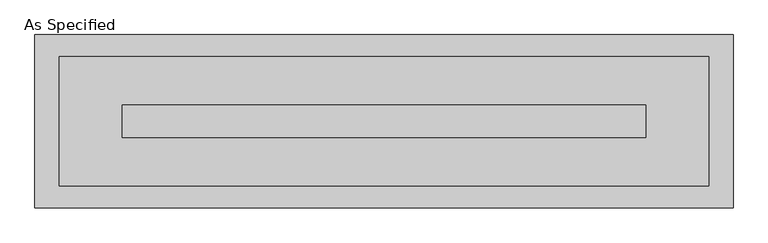
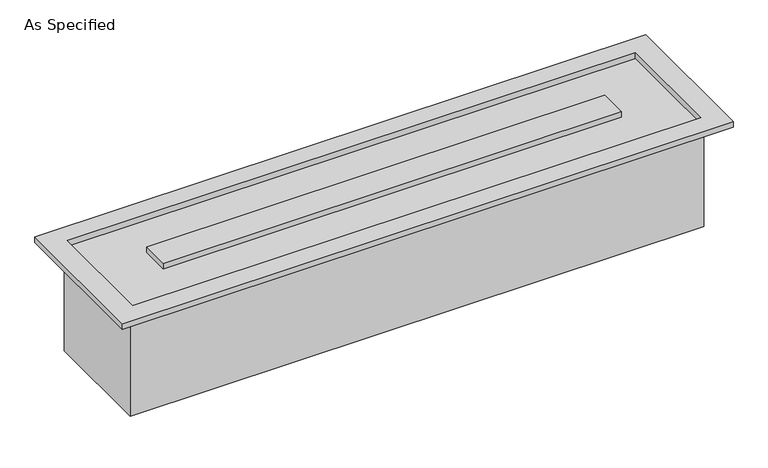
"""IFC4 building model written with IfcOpenShell, lengths in millimetres: proxy geometry, As Specified."""

from ifc_helpers import new_model, si_unit, origin, place, context, project, spatial, faceted_brep, source, transform, mapped, element, save


def as_specified_d6535062(model_context):
    return source(origin(), model_context, "Body", "Brep", [
        faceted_brep([(763.5875, 152.4, -292.1), (763.5875, -152.4, -292.1), (-763.5875, -152.4, -292.1), (-763.5875, 152.4, -292.1), (755.6499926, -150.812509, 0.0), (755.6499926, 150.8125043, 0.0), (-755.6499937, 150.8125043, 0.0), (-755.6499937, -150.812509, 0.0), (-609.6000025, 38.0999981, 0.0), (609.6000013, 38.0999981, 0.0), (609.6000013, -38.1000028, 0.0), (-609.6000025, -38.1000028, 0.0), (-763.5875, 152.4, 0.0), (763.5875, 152.4, 0.0), (-763.5875, -152.4, 0.0), (763.5875, -152.4, 0.0), (812.8, 201.6125, 15.875), (-812.8, 201.6125, 15.875), (-812.8, -201.6125, 15.875), (812.8, -201.6125, 15.875), (755.6499926, 150.8125043, 15.875), (755.6499926, -150.812509, 15.875), (-755.6499937, -150.812509, 15.875), (-755.6499937, 150.8125043, 15.875), (609.6000013, 38.0999981, 15.875), (-609.6000025, 38.0999981, 15.875), (-609.6000025, -38.1000028, 15.875), (609.6000013, -38.1000028, 15.875), (812.8, 201.6125, 0.0), (812.8, -201.6125, 0.0), (-812.8, -201.6125, 0.0), (-812.8, 201.6125, 0.0)], [[[0, 1, 2, 3]], [[4, 5, 6, 7], [8, 9, 10, 11]], [[0, 3, 12, 13]], [[3, 2, 14, 12]], [[2, 1, 15, 14]], [[1, 0, 13, 15]], [[16, 17, 18, 19], [20, 21, 22, 23]], [[24, 25, 26, 27]], [[28, 29, 30, 31], [13, 12, 14, 15]], [[17, 16, 28, 31]], [[18, 17, 31, 30]], [[19, 18, 30, 29]], [[16, 19, 29, 28]], [[21, 20, 5, 4]], [[22, 21, 4, 7]], [[23, 22, 7, 6]], [[20, 23, 6, 5]], [[25, 24, 9, 8]], [[26, 25, 8, 11]], [[27, 26, 11, 10]], [[24, 27, 10, 9]]]),
    ])


if __name__ == "__main__":
    model = new_model("IFC4")
    model_context = context("Model", 3, world=origin())
    ifc_project = project(units=[si_unit("LENGTHUNIT", "METRE", prefix="MILLI")], contexts=[model_context])
    site = spatial("IfcSite", under=ifc_project)
    building = spatial("IfcBuilding", under=site)
    placement = place(None, origin())
    as_specified_shape = as_specified_d6535062(model_context)
    element("IfcBuildingElementProxy", 1, Name="As Specified", ObjectType="As Specified", at=placement, inside=building, context=model_context, shape_type="MappedRepresentation", body=[
        mapped(as_specified_shape, transform((0.0, 0.0, 0.0), x_axis=(1.0, 0.0, 0.0), y_axis=(0.0, 1.0, 0.0), z_axis=(0.0, 0.0, 1.0))),
    ])
    save(model, "model.ifc")
